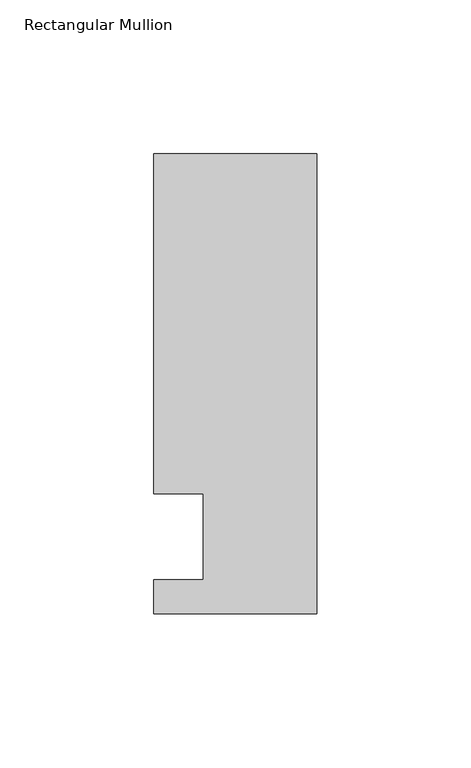
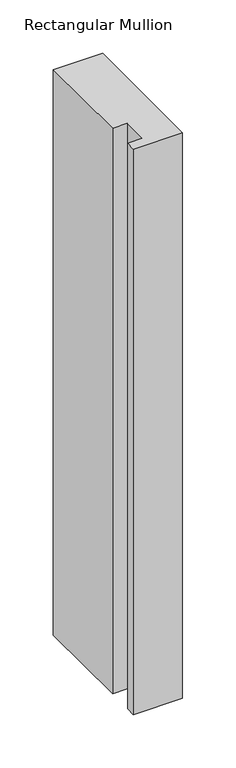
"""IFC4 building model written with IfcOpenShell, lengths in millimetres: member geometry, Rectangular Mullion."""

from ifc_helpers import new_model, si_unit, frame, origin, place, context, project, spatial, polyline, outline, extrude, source, transform, mapped, element, save


def rectangular_mullion_de35fa52(model_context):
    return source(origin(), model_context, "Body", "SweptSolid", [
        extrude(outline(polyline([(-37.0, -13.9999453), (-37.0, 14.0000547), (-53.0, 14.0000547), (-53.0, 124.5000547), (0.0, 124.5000547), (0.0, -24.9999453), (-53.0, -24.9999453), (-53.0, -13.9999453), (-37.0, -13.9999453)])), frame((0.0, 0.0, -645.561551), z_axis=(0.0, 0.0, 1.0), x_axis=(1.0, 0.0, 0.0)), (0.0, 0.0, 1.0), 645.561551),
    ])


if __name__ == "__main__":
    model = new_model("IFC4")
    model_context = context("Model", 3, world=origin())
    ifc_project = project(units=[si_unit("LENGTHUNIT", "METRE", prefix="MILLI")], contexts=[model_context])
    site = spatial("IfcSite", under=ifc_project)
    building = spatial("IfcBuilding", under=site)
    placement = place(None, origin())
    rectangular_mullion_shape = rectangular_mullion_de35fa52(model_context)
    element("IfcMember", 1, ObjectType="Rectangular Mullion", at=placement, inside=building, context=model_context, shape_type="MappedRepresentation", body=[
        mapped(rectangular_mullion_shape, transform((0.0, 0.0, 0.0), x_axis=(1.0, 0.0, 0.0), y_axis=(0.0, 1.0, 0.0), z_axis=(0.0, 0.0, 1.0))),
    ])
    save(model, "model.ifc")
